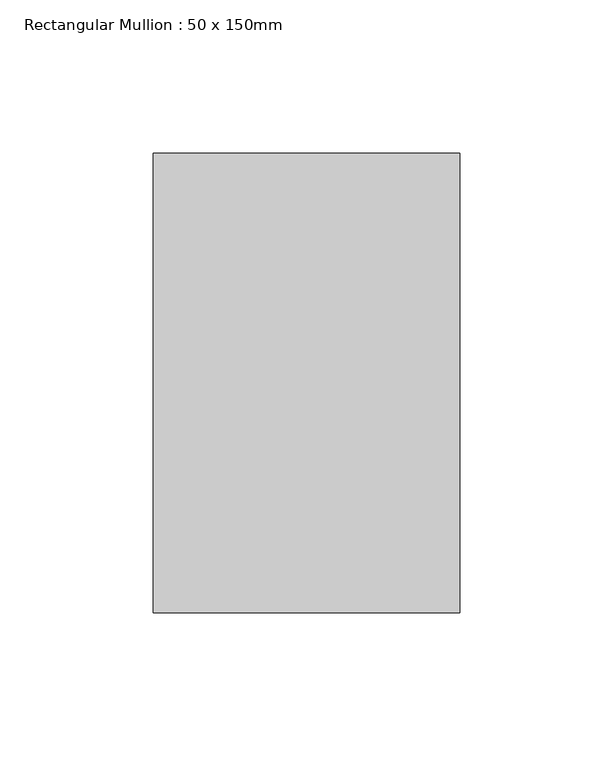
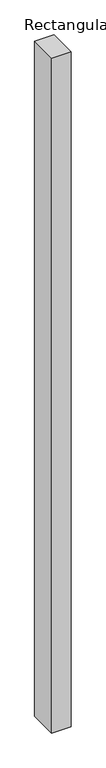
"""IFC4 building model written with IfcOpenShell, lengths in millimetres: member geometry, Rectangular Mullion : 50 x 150mm."""

from ifc_helpers import new_model, si_unit, frame, origin, place, context, project, spatial, polyline, outline, extrude, source, transform, mapped, element, save


def rectangular_mullion_50_x_150mm_48285f78(model_context):
    return source(origin(), model_context, "Body", "SweptSolid", [
        extrude(outline(polyline([(0.0, 75.0), (0.0, -75.0), (-100.0, -75.0), (-100.0, 75.0), (0.0, 75.0)])), frame((0.0, 0.0, -3650.2101386), z_axis=(0.0, 0.0, 1.0), x_axis=(1.0, 0.0, 0.0)), (0.0, 0.0, 1.0), 3650.2101386),
    ])


if __name__ == "__main__":
    model = new_model("IFC4")
    model_context = context("Model", 3, world=origin())
    ifc_project = project(units=[si_unit("LENGTHUNIT", "METRE", prefix="MILLI")], contexts=[model_context])
    site = spatial("IfcSite", under=ifc_project)
    building = spatial("IfcBuilding", under=site)
    placement = place(None, origin())
    rectangular_mullion_50_x_150mm_shape = rectangular_mullion_50_x_150mm_48285f78(model_context)
    element("IfcMember", 1, ObjectType="Rectangular Mullion : 50 x 150mm", at=placement, inside=building, context=model_context, shape_type="MappedRepresentation", body=[
        mapped(rectangular_mullion_50_x_150mm_shape, transform((0.0, 0.0, 0.0), x_axis=(1.0, 0.0, 0.0), y_axis=(0.0, 1.0, 0.0), z_axis=(0.0, 0.0, 1.0))),
    ])
    save(model, "model.ifc")
